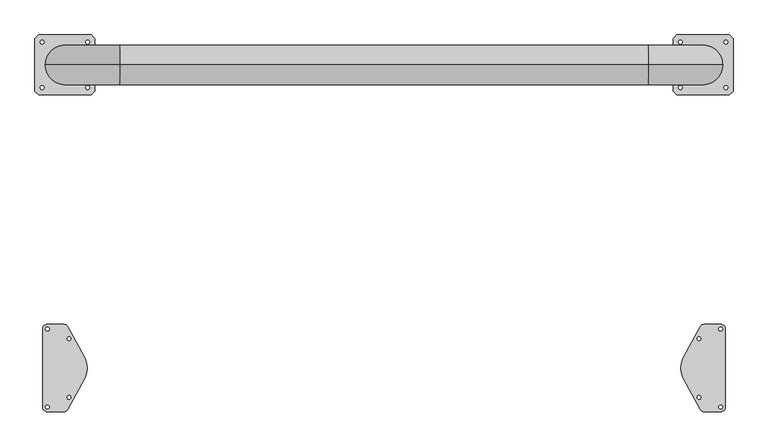
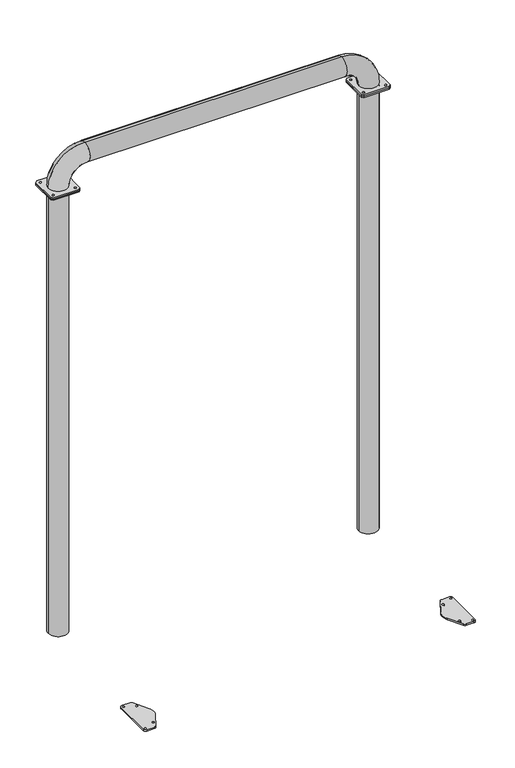
"""IFC4 building model written with IfcOpenShell, lengths in millimetres: proxy geometry."""

from ifc_helpers import new_model, si_unit, point, frame, frame_2d, origin, origin_with_axes, origin_2d, place, context, project, spatial, polyline, circle_curve, ellipse_curve, trimmed, segment, composite_curve, outline, extrude, source, transform, mapped, element, save
from ifc_brep_helpers import plane_surface, cylinder_surface, revolved_surface, advanced_brep


def generic_models_73299165(model_context):
    return source(origin(), model_context, "Body", "SolidModel", [
        extrude(outline(composite_curve([segment(trimmed(circle_curve(frame_2d((-72.8981591, -1102.6018409)), 20.1018409), [point((-93.0, -1102.6018409))], [point((-72.8981591, -1082.5))], False, "CARTESIAN"), True, "CONTINUOUS"), segment(polyline([(-72.8981591, -1082.5), (-5.0293412, -1082.5)]), True, "CONTINUOUS"), segment(trimmed(circle_curve(frame_2d((-5.0293412, -1102.5224978)), 20.0224978), [point((-5.0293412, -1082.5))], [point((12.5870042, -1093.0059443))], False, "CARTESIAN"), True, "CONTINUOUS"), segment(polyline([(12.5870042, -1093.0059443), (80.3506434, -1218.224343)]), True, "CONTINUOUS"), segment(trimmed(circle_curve(frame_2d((-0.0021126, -1265.0477839)), 93.0), [point((80.3506434, -1218.224343))], [point((80.3506434, -1311.8712248))], False, "CARTESIAN"), True, "CONTINUOUS"), segment(polyline([(80.3506434, -1311.8712248), (12.654282, -1437.0158468)]), True, "CONTINUOUS"), segment(trimmed(circle_curve(frame_2d((-4.9368709, -1427.5)), 20.0), [point((12.654282, -1437.0158468))], [point((-4.9368709, -1447.5))], False, "CARTESIAN"), True, "CONTINUOUS"), segment(polyline([(-4.9368709, -1447.5), (-73.0021126, -1447.5)]), True, "CONTINUOUS"), segment(trimmed(circle_curve(frame_2d((-73.0021126, -1427.5)), 20.0), [point((-73.0021126, -1447.5))], [point((-93.0, -1427.790685))], False, "CARTESIAN"), True, "CONTINUOUS"), segment(polyline([(-93.0, -1427.790685), (-93.0, -1102.6018409)]), True, "CONTINUOUS")], self_intersect=False), holes=[composite_curve([segment(trimmed(circle_curve(frame_2d((-73.0, -1102.5)), 8.0), [point((-81.0, -1102.5))], [point((-65.0, -1102.5))], True, "CARTESIAN"), True, "CONTINUOUS"), segment(trimmed(circle_curve(frame_2d((-73.0, -1102.5)), 8.0), [point((-65.0, -1102.5))], [point((-81.0, -1102.5))], True, "CARTESIAN"), True, "CONTINUOUS")], self_intersect=False), composite_curve([segment(trimmed(circle_curve(frame_2d((-73.0, -1427.5)), 8.0), [point((-81.0, -1427.5))], [point((-65.0, -1427.5))], True, "CARTESIAN"), True, "CONTINUOUS"), segment(trimmed(circle_curve(frame_2d((-73.0, -1427.5)), 8.0), [point((-65.0, -1427.5))], [point((-81.0, -1427.5))], True, "CARTESIAN"), True, "CONTINUOUS")], self_intersect=False), composite_curve([segment(trimmed(circle_curve(frame_2d((17.0, -1142.5)), 8.0), [point((9.0, -1142.5))], [point((25.0, -1142.5))], True, "CARTESIAN"), True, "CONTINUOUS"), segment(trimmed(circle_curve(frame_2d((17.0, -1142.5)), 8.0), [point((25.0, -1142.5))], [point((9.0, -1142.5))], True, "CARTESIAN"), True, "CONTINUOUS")], self_intersect=False), composite_curve([segment(trimmed(circle_curve(frame_2d((17.0, -1387.5)), 8.0), [point((9.0, -1387.5))], [point((25.0, -1387.5))], True, "CARTESIAN"), True, "CONTINUOUS"), segment(trimmed(circle_curve(frame_2d((17.0, -1387.5)), 8.0), [point((25.0, -1387.5))], [point((9.0, -1387.5))], True, "CARTESIAN"), True, "CONTINUOUS")], self_intersect=False)]), origin_with_axes(), (0.0, 0.0, 1.0), 12.0),
        extrude(outline(composite_curve([segment(trimmed(circle_curve(frame_2d((2665.0021126, -1265.0477839)), 93.0), [point((2584.6493566, -1311.8712248))], [point((2584.6493566, -1218.224343))], False, "CARTESIAN"), True, "CONTINUOUS"), segment(polyline([(2584.6493566, -1218.224343), (2652.4129958, -1093.0059443)]), True, "CONTINUOUS"), segment(trimmed(circle_curve(frame_2d((2670.0293412, -1102.5224978)), 20.0224978), [point((2652.4129958, -1093.0059443))], [point((2670.0293412, -1082.5))], False, "CARTESIAN"), True, "CONTINUOUS"), segment(polyline([(2670.0293412, -1082.5), (2738.0, -1082.5)]), True, "CONTINUOUS"), segment(trimmed(circle_curve(frame_2d((2738.0, -1102.5)), 20.0), [point((2738.0, -1082.5))], [point((2758.0, -1102.5))], False, "CARTESIAN"), True, "CONTINUOUS"), segment(polyline([(2758.0, -1102.5), (2758.0, -1427.5)]), True, "CONTINUOUS"), segment(trimmed(circle_curve(frame_2d((2738.0, -1427.5)), 20.0), [point((2758.0, -1427.5))], [point((2738.0, -1447.5))], False, "CARTESIAN"), True, "CONTINUOUS"), segment(polyline([(2738.0, -1447.5), (2669.9368709, -1447.5)]), True, "CONTINUOUS"), segment(trimmed(circle_curve(frame_2d((2669.9368709, -1427.5)), 20.0), [point((2669.9368709, -1447.5))], [point((2652.345718, -1437.0158468))], False, "CARTESIAN"), True, "CONTINUOUS"), segment(polyline([(2652.345718, -1437.0158468), (2584.6493566, -1311.8712248)]), True, "CONTINUOUS")], self_intersect=False), holes=[composite_curve([segment(trimmed(circle_curve(frame_2d((2648.0, -1142.5)), 8.0), [point((2640.0, -1142.5))], [point((2656.0, -1142.5))], True, "CARTESIAN"), True, "CONTINUOUS"), segment(trimmed(circle_curve(frame_2d((2648.0, -1142.5)), 8.0), [point((2656.0, -1142.5))], [point((2640.0, -1142.5))], True, "CARTESIAN"), True, "CONTINUOUS")], self_intersect=False), composite_curve([segment(trimmed(circle_curve(frame_2d((2648.0, -1387.5)), 8.0), [point((2640.0, -1387.5))], [point((2656.0, -1387.5))], True, "CARTESIAN"), True, "CONTINUOUS"), segment(trimmed(circle_curve(frame_2d((2648.0, -1387.5)), 8.0), [point((2656.0, -1387.5))], [point((2640.0, -1387.5))], True, "CARTESIAN"), True, "CONTINUOUS")], self_intersect=False), composite_curve([segment(trimmed(circle_curve(frame_2d((2738.0, -1427.5)), 8.0), [point((2730.0, -1427.5))], [point((2746.0, -1427.5))], True, "CARTESIAN"), True, "CONTINUOUS"), segment(trimmed(circle_curve(frame_2d((2738.0, -1427.5)), 8.0), [point((2746.0, -1427.5))], [point((2730.0, -1427.5))], True, "CARTESIAN"), True, "CONTINUOUS")], self_intersect=False), composite_curve([segment(trimmed(circle_curve(frame_2d((2738.0, -1102.5)), 8.0), [point((2730.0, -1102.5))], [point((2746.0, -1102.5))], True, "CARTESIAN"), True, "CONTINUOUS"), segment(trimmed(circle_curve(frame_2d((2738.0, -1102.5)), 8.0), [point((2746.0, -1102.5))], [point((2730.0, -1102.5))], True, "CARTESIAN"), True, "CONTINUOUS")], self_intersect=False)]), origin_with_axes(), (0.0, 0.0, 1.0), 12.0),
        advanced_brep(
        [(82.5, 0.0, 4053.5), (-82.5, 0.0, 4053.5), (78.5, 0.0, 4053.5), (-78.5, 0.0, 4053.5), (229.0, 0.0, 4365.0), (229.0, 0.0, 4200.0), (229.0, 0.0, 4361.0), (229.0, 0.0, 4204.0), (2436.0, 0.0, 4200.0), (2436.0, 0.0, 4365.0), (2436.0, 0.0, 4204.0), (2436.0, 0.0, 4361.0), (2582.5, 0.0, 4053.5), (2747.5, 0.0, 4053.5), (2586.5, 0.0, 4053.5), (2743.5, 0.0, 4053.5)],
        [
            (0, 1, circle_curve(frame((0.0, 0.0, 4053.5), z_axis=(0.0, 0.0, -1.0), x_axis=(-1.0, 0.0, 0.0)), 82.5)),
            (1, 0, circle_curve(frame((0.0, 0.0, 4053.5), z_axis=(0.0, 0.0, -1.0), x_axis=(-1.0, 0.0, 0.0)), 82.5)),
            (2, 3, circle_curve(frame((0.0, 0.0, 4053.5), z_axis=(0.0, 0.0, 1.0), x_axis=(-1.0, 0.0, 0.0)), 78.5)),
            (3, 2, circle_curve(frame((0.0, 0.0, 4053.5), z_axis=(0.0, 0.0, 1.0), x_axis=(-1.0, 0.0, 0.0)), 78.5)),
            (4, 1, circle_curve(frame((229.0, 0.0, 4053.5), z_axis=(0.0, -1.0, 0.0), x_axis=(-1.0, 0.0, 0.0)), 311.5)),
            (0, 5, circle_curve(frame((229.0, 0.0, 4053.5), z_axis=(0.0, 1.0, 0.0), x_axis=(-1.0, 0.0, 0.0)), 146.5)),
            (5, 4, circle_curve(frame((229.0, 0.0, 4282.5), z_axis=(-1.0, 0.0, 0.0), x_axis=(0.0, 0.0, 1.0)), 82.5)),
            (4, 5, circle_curve(frame((229.0, 0.0, 4282.5), z_axis=(-1.0, 0.0, 0.0), x_axis=(0.0, 0.0, 1.0)), 82.5)),
            (6, 3, circle_curve(frame((229.0, 0.0, 4053.5), z_axis=(0.0, -1.0, 0.0), x_axis=(-1.0, 0.0, 0.0)), 307.5)),
            (2, 7, circle_curve(frame((229.0, 0.0, 4053.5), z_axis=(0.0, 1.0, 0.0), x_axis=(-1.0, 0.0, 0.0)), 150.5)),
            (7, 6, circle_curve(frame((229.0, 0.0, 4282.5), z_axis=(1.0, 0.0, 0.0), x_axis=(0.0, 0.0, 1.0)), 78.5)),
            (6, 7, circle_curve(frame((229.0, 0.0, 4282.5), z_axis=(1.0, 0.0, 0.0), x_axis=(0.0, 0.0, 1.0)), 78.5)),
            (5, 8),
            (8, 9, circle_curve(frame((2436.0, 0.0, 4282.5), z_axis=(-1.0, 0.0, 0.0), x_axis=(0.0, 0.0, 1.0)), 82.5)),
            (9, 4),
            (9, 8, circle_curve(frame((2436.0, 0.0, 4282.5), z_axis=(-1.0, 0.0, 0.0), x_axis=(0.0, 0.0, 1.0)), 82.5)),
            (7, 10),
            (10, 11, circle_curve(frame((2436.0, 0.0, 4282.5), z_axis=(1.0, 0.0, 0.0), x_axis=(0.0, 0.0, 1.0)), 78.5)),
            (11, 6),
            (11, 10, circle_curve(frame((2436.0, 0.0, 4282.5), z_axis=(1.0, 0.0, 0.0), x_axis=(0.0, 0.0, 1.0)), 78.5)),
            (12, 13, circle_curve(frame((2665.0, 0.0, 4053.5), z_axis=(0.0, 0.0, -1.0), x_axis=(1.0, 0.0, 0.0)), 82.5)),
            (13, 12, circle_curve(frame((2665.0, 0.0, 4053.5), z_axis=(0.0, 0.0, -1.0), x_axis=(1.0, 0.0, 0.0)), 82.5)),
            (14, 15, circle_curve(frame((2665.0, 0.0, 4053.5), z_axis=(0.0, 0.0, 1.0), x_axis=(1.0, 0.0, 0.0)), 78.5)),
            (15, 14, circle_curve(frame((2665.0, 0.0, 4053.5), z_axis=(0.0, 0.0, 1.0), x_axis=(1.0, 0.0, 0.0)), 78.5)),
            (13, 9, circle_curve(frame((2436.0, 0.0, 4053.5), z_axis=(0.0, -1.0, 0.0), x_axis=(0.0, 0.0, 1.0)), 311.5)),
            (8, 12, circle_curve(frame((2436.0, 0.0, 4053.5), z_axis=(0.0, 1.0, 0.0), x_axis=(0.0, 0.0, 1.0)), 146.5)),
            (15, 11, circle_curve(frame((2436.0, 0.0, 4053.5), z_axis=(0.0, -1.0, 0.0), x_axis=(0.0, 0.0, 1.0)), 307.5)),
            (10, 14, circle_curve(frame((2436.0, 0.0, 4053.5), z_axis=(0.0, 1.0, 0.0), x_axis=(0.0, 0.0, 1.0)), 150.5)),
        ],
        [
            plane_surface(frame((0.0, 0.0, 4053.5), z_axis=(0.0, 0.0, -1.0), x_axis=(0.0, -1.0, 0.0))),
            revolved_surface(trimmed(ellipse_curve(frame((0.0, 0.0, 4053.5), z_axis=(0.0, 0.0, -1.0), x_axis=(-1.0, 0.0, 0.0)), 82.5, 82.5), [point((82.5, 0.0, 4053.5))], [point((-82.5, 0.0, 4053.5))], True, "CARTESIAN"), (229.0, 0.0, 4053.5), (0.0, 1.0, 0.0)),
            revolved_surface(trimmed(ellipse_curve(frame((0.0, 0.0, 4053.5), z_axis=(0.0, 0.0, -1.0), x_axis=(-1.0, 0.0, 0.0)), 82.5, 82.5), [point((-82.5, 0.0, 4053.5))], [point((82.5, 0.0, 4053.5))], True, "CARTESIAN"), (229.0, 0.0, 4053.5), (0.0, 1.0, 0.0)),
            revolved_surface(trimmed(ellipse_curve(frame((0.0, 0.0, 4053.5), z_axis=(0.0, 0.0, 1.0), x_axis=(-1.0, 0.0, 0.0)), 78.5, 78.5), [point((78.5, 0.0, 4053.5))], [point((-78.5, 0.0, 4053.5))], True, "CARTESIAN"), (229.0, 0.0, 4053.5), (0.0, 1.0, 0.0)),
            revolved_surface(trimmed(ellipse_curve(frame((0.0, 0.0, 4053.5), z_axis=(0.0, 0.0, 1.0), x_axis=(-1.0, 0.0, 0.0)), 78.5, 78.5), [point((-78.5, 0.0, 4053.5))], [point((78.5, 0.0, 4053.5))], True, "CARTESIAN"), (229.0, 0.0, 4053.5), (0.0, 1.0, 0.0)),
            cylinder_surface(frame((229.0, 0.0, 4282.5), z_axis=(-1.0, 0.0, 0.0), x_axis=(0.0, 0.0, 1.0)), 82.5),
            revolved_surface(polyline([(2436.0, 0.0, 4361.0), (229.0, 0.0, 4361.0)]), (229.0, 0.0, 4282.5), (1.0, 0.0, 0.0)),
            plane_surface(frame((2665.0, 0.0, 4053.5), z_axis=(0.0, 0.0, -1.0), x_axis=(0.0, -1.0, 0.0))),
            revolved_surface(trimmed(ellipse_curve(frame((2436.0, 0.0, 4282.5), z_axis=(-1.0, 0.0, 0.0), x_axis=(0.0, 0.0, 1.0)), 82.5, 82.5), [point((2436.0, 0.0, 4200.0))], [point((2436.0, 0.0, 4365.0))], True, "CARTESIAN"), (2436.0, 0.0, 4053.5), (0.0, 1.0, 0.0)),
            revolved_surface(trimmed(ellipse_curve(frame((2436.0, 0.0, 4282.5), z_axis=(-1.0, 0.0, 0.0), x_axis=(0.0, 0.0, 1.0)), 82.5, 82.5), [point((2436.0, 0.0, 4365.0))], [point((2436.0, 0.0, 4200.0))], True, "CARTESIAN"), (2436.0, 0.0, 4053.5), (0.0, 1.0, 0.0)),
            revolved_surface(trimmed(ellipse_curve(frame((2436.0, 0.0, 4282.5), z_axis=(1.0, 0.0, 0.0), x_axis=(0.0, 0.0, 1.0)), 78.5, 78.5), [point((2436.0, 0.0, 4204.0))], [point((2436.0, 0.0, 4361.0))], True, "CARTESIAN"), (2436.0, 0.0, 4053.5), (0.0, 1.0, 0.0)),
            revolved_surface(trimmed(ellipse_curve(frame((2436.0, 0.0, 4282.5), z_axis=(1.0, 0.0, 0.0), x_axis=(0.0, 0.0, 1.0)), 78.5, 78.5), [point((2436.0, 0.0, 4361.0))], [point((2436.0, 0.0, 4204.0))], True, "CARTESIAN"), (2436.0, 0.0, 4053.5), (0.0, 1.0, 0.0)),
        ],
        [
            (0, [[1, 2], [3, 4]]),
            (1, [[5, -1, 6, 7]]),
            (2, [[-6, -2, -5, 8]]),
            (3, [[9, -3, 10, 11]]),
            (4, [[-10, -4, -9, 12]]),
            (5, [[-7, 13, 14, 15]]),
            (5, [[-8, -15, 16, -13]]),
            (6, [[-11, 17, 18, 19]]),
            (6, [[-12, -19, 20, -17]]),
            (7, [[21, 22], [23, 24]]),
            (8, [[25, -14, 26, -22]]),
            (9, [[-26, -16, -25, -21]]),
            (10, [[27, -18, 28, -24]]),
            (11, [[-28, -20, -27, -23]]),
        ],
    ),
        extrude(outline(polyline([(110.0, 125.0), (125.0, 110.0), (125.0, -110.0), (110.0, -125.0), (-110.0, -125.0), (-125.0, -110.0), (-125.0, 110.0), (-110.0, 125.0), (110.0, 125.0)]), holes=[composite_curve([segment(trimmed(circle_curve(frame_2d((-95.0, 95.0)), 8.0), [point((-103.0, 95.0))], [point((-87.0, 95.0))], True, "CARTESIAN"), True, "CONTINUOUS"), segment(trimmed(circle_curve(frame_2d((-95.0, 95.0)), 8.0), [point((-87.0, 95.0))], [point((-103.0, 95.0))], True, "CARTESIAN"), True, "CONTINUOUS")], self_intersect=False), composite_curve([segment(trimmed(circle_curve(frame_2d((95.0, 95.0)), 8.0), [point((87.0, 95.0))], [point((103.0, 95.0))], True, "CARTESIAN"), True, "CONTINUOUS"), segment(trimmed(circle_curve(frame_2d((95.0, 95.0)), 8.0), [point((103.0, 95.0))], [point((87.0, 95.0))], True, "CARTESIAN"), True, "CONTINUOUS")], self_intersect=False), composite_curve([segment(trimmed(circle_curve(frame_2d((95.0, -95.0)), 8.0), [point((87.0, -95.0))], [point((103.0, -95.0))], True, "CARTESIAN"), True, "CONTINUOUS"), segment(trimmed(circle_curve(frame_2d((95.0, -95.0)), 8.0), [point((103.0, -95.0))], [point((87.0, -95.0))], True, "CARTESIAN"), True, "CONTINUOUS")], self_intersect=False), composite_curve([segment(trimmed(circle_curve(frame_2d((-95.0, -95.0)), 8.0), [point((-103.0, -95.0))], [point((-87.0, -95.0))], True, "CARTESIAN"), True, "CONTINUOUS"), segment(trimmed(circle_curve(frame_2d((-95.0, -95.0)), 8.0), [point((-87.0, -95.0))], [point((-103.0, -95.0))], True, "CARTESIAN"), True, "CONTINUOUS")], self_intersect=False)]), frame((0.0, 0.0, 4042.0), z_axis=(0.0, 0.0, 1.0), x_axis=(1.0, 0.0, 0.0)), (0.0, 0.0, 1.0), 12.0),
        extrude(outline(polyline([(2540.0, -110.0), (2540.0, 110.0), (2555.0, 125.0), (2775.0, 125.0), (2790.0, 110.0), (2790.0, -110.0), (2775.0, -125.0), (2555.0, -125.0), (2540.0, -110.0)]), holes=[composite_curve([segment(trimmed(circle_curve(frame_2d((2570.0, 95.0)), 8.0), [point((2578.0, 95.0))], [point((2562.0, 95.0))], True, "CARTESIAN"), True, "CONTINUOUS"), segment(trimmed(circle_curve(frame_2d((2570.0, 95.0)), 8.0), [point((2562.0, 95.0))], [point((2578.0, 95.0))], True, "CARTESIAN"), True, "CONTINUOUS")], self_intersect=False), composite_curve([segment(trimmed(circle_curve(frame_2d((2760.0, 95.0)), 8.0), [point((2752.0, 95.0))], [point((2768.0, 95.0))], True, "CARTESIAN"), True, "CONTINUOUS"), segment(trimmed(circle_curve(frame_2d((2760.0, 95.0)), 8.0), [point((2768.0, 95.0))], [point((2752.0, 95.0))], True, "CARTESIAN"), True, "CONTINUOUS")], self_intersect=False), composite_curve([segment(trimmed(circle_curve(frame_2d((2570.0, -95.0)), 8.0), [point((2562.0, -95.0))], [point((2578.0, -95.0))], True, "CARTESIAN"), True, "CONTINUOUS"), segment(trimmed(circle_curve(frame_2d((2570.0, -95.0)), 8.0), [point((2578.0, -95.0))], [point((2562.0, -95.0))], True, "CARTESIAN"), True, "CONTINUOUS")], self_intersect=False), composite_curve([segment(trimmed(circle_curve(frame_2d((2760.0, -95.0)), 8.0), [point((2752.0, -95.0))], [point((2768.0, -95.0))], True, "CARTESIAN"), True, "CONTINUOUS"), segment(trimmed(circle_curve(frame_2d((2760.0, -95.0)), 8.0), [point((2768.0, -95.0))], [point((2752.0, -95.0))], True, "CARTESIAN"), True, "CONTINUOUS")], self_intersect=False)]), frame((0.0, 0.0, 4042.0), z_axis=(0.0, 0.0, 1.0), x_axis=(1.0, 0.0, 0.0)), (0.0, 0.0, 1.0), 12.0),
        extrude(outline(polyline([(125.0, -110.0), (110.0, -125.0), (-110.0, -125.0), (-125.0, -110.0), (-125.0, 110.0), (-110.0, 125.0), (110.0, 125.0), (125.0, 110.0), (125.0, -110.0)]), holes=[composite_curve([segment(trimmed(circle_curve(frame_2d((-95.0, 95.0)), 8.0), [point((-103.0, 95.0))], [point((-87.0, 95.0))], True, "CARTESIAN"), True, "CONTINUOUS"), segment(trimmed(circle_curve(frame_2d((-95.0, 95.0)), 8.0), [point((-87.0, 95.0))], [point((-103.0, 95.0))], True, "CARTESIAN"), True, "CONTINUOUS")], self_intersect=False), composite_curve([segment(trimmed(circle_curve(frame_2d((95.0, 95.0)), 8.0), [point((87.0, 95.0))], [point((103.0, 95.0))], True, "CARTESIAN"), True, "CONTINUOUS"), segment(trimmed(circle_curve(frame_2d((95.0, 95.0)), 8.0), [point((103.0, 95.0))], [point((87.0, 95.0))], True, "CARTESIAN"), True, "CONTINUOUS")], self_intersect=False), composite_curve([segment(trimmed(circle_curve(frame_2d((-95.0, -95.0)), 8.0), [point((-103.0, -95.0))], [point((-87.0, -95.0))], True, "CARTESIAN"), True, "CONTINUOUS"), segment(trimmed(circle_curve(frame_2d((-95.0, -95.0)), 8.0), [point((-87.0, -95.0))], [point((-103.0, -95.0))], True, "CARTESIAN"), True, "CONTINUOUS")], self_intersect=False), composite_curve([segment(trimmed(circle_curve(frame_2d((95.0, -95.0)), 8.0), [point((87.0, -95.0))], [point((103.0, -95.0))], True, "CARTESIAN"), True, "CONTINUOUS"), segment(trimmed(circle_curve(frame_2d((95.0, -95.0)), 8.0), [point((103.0, -95.0))], [point((87.0, -95.0))], True, "CARTESIAN"), True, "CONTINUOUS")], self_intersect=False)]), frame((0.0, 0.0, 4030.0), z_axis=(0.0, 0.0, 1.0), x_axis=(1.0, 0.0, 0.0)), (0.0, 0.0, 1.0), 12.0),
        extrude(outline(polyline([(2540.0, -110.0), (2540.0, 110.0), (2555.0, 125.0), (2775.0, 125.0), (2790.0, 110.0), (2790.0, -110.0), (2775.0, -125.0), (2555.0, -125.0), (2540.0, -110.0)]), holes=[composite_curve([segment(trimmed(circle_curve(frame_2d((2570.0, 95.0)), 10.5), [point((2559.5, 95.0))], [point((2580.5, 95.0))], True, "CARTESIAN"), True, "CONTINUOUS"), segment(trimmed(circle_curve(frame_2d((2570.0, 95.0)), 10.5), [point((2580.5, 95.0))], [point((2559.5, 95.0))], True, "CARTESIAN"), True, "CONTINUOUS")], self_intersect=False), composite_curve([segment(trimmed(circle_curve(frame_2d((2760.0, 95.0)), 8.0), [point((2752.0, 95.0))], [point((2768.0, 95.0))], True, "CARTESIAN"), True, "CONTINUOUS"), segment(trimmed(circle_curve(frame_2d((2760.0, 95.0)), 8.0), [point((2768.0, 95.0))], [point((2752.0, 95.0))], True, "CARTESIAN"), True, "CONTINUOUS")], self_intersect=False), composite_curve([segment(trimmed(circle_curve(frame_2d((2570.0, -95.0)), 10.5), [point((2559.5, -95.0))], [point((2580.5, -95.0))], True, "CARTESIAN"), True, "CONTINUOUS"), segment(trimmed(circle_curve(frame_2d((2570.0, -95.0)), 10.5), [point((2580.5, -95.0))], [point((2559.5, -95.0))], True, "CARTESIAN"), True, "CONTINUOUS")], self_intersect=False), composite_curve([segment(trimmed(circle_curve(frame_2d((2760.0, -95.0)), 8.0), [point((2752.0, -95.0))], [point((2768.0, -95.0))], True, "CARTESIAN"), True, "CONTINUOUS"), segment(trimmed(circle_curve(frame_2d((2760.0, -95.0)), 8.0), [point((2768.0, -95.0))], [point((2752.0, -95.0))], True, "CARTESIAN"), True, "CONTINUOUS")], self_intersect=False)]), frame((0.0, 0.0, 4030.0), z_axis=(0.0, 0.0, 1.0), x_axis=(1.0, 0.0, 0.0)), (0.0, 0.0, 1.0), 12.0),
        extrude(outline(composite_curve([segment(trimmed(circle_curve(origin_2d(), 82.5), [point((82.5, 0.0))], [point((-82.5, 0.0))], False, "CARTESIAN"), True, "CONTINUOUS"), segment(trimmed(circle_curve(origin_2d(), 82.5), [point((-82.5, 0.0))], [point((82.5, 0.0))], False, "CARTESIAN"), True, "CONTINUOUS")], self_intersect=False), holes=[composite_curve([segment(trimmed(circle_curve(origin_2d(), 81.0), [point((81.0, 0.0))], [point((-81.0, 0.0))], True, "CARTESIAN"), True, "CONTINUOUS"), segment(trimmed(circle_curve(origin_2d(), 81.0), [point((-81.0, 0.0))], [point((81.0, 0.0))], True, "CARTESIAN"), True, "CONTINUOUS")], self_intersect=False)]), frame((0.0, 0.0, 12.0), z_axis=(0.0, 0.0, 1.0), x_axis=(1.0, 0.0, 0.0)), (0.0, 0.0, 1.0), 4018.0),
        extrude(outline(composite_curve([segment(trimmed(circle_curve(frame_2d((2665.0, 0.0)), 82.5), [point((2747.5, 0.0))], [point((2582.5, 0.0))], False, "CARTESIAN"), True, "CONTINUOUS"), segment(trimmed(circle_curve(frame_2d((2665.0, 0.0)), 82.5), [point((2582.5, 0.0))], [point((2747.5, 0.0))], False, "CARTESIAN"), True, "CONTINUOUS")], self_intersect=False), holes=[composite_curve([segment(trimmed(circle_curve(frame_2d((2665.0, 0.0)), 81.0), [point((2746.0, 0.0))], [point((2584.0, 0.0))], True, "CARTESIAN"), True, "CONTINUOUS"), segment(trimmed(circle_curve(frame_2d((2665.0, 0.0)), 81.0), [point((2584.0, 0.0))], [point((2746.0, 0.0))], True, "CARTESIAN"), True, "CONTINUOUS")], self_intersect=False)]), frame((0.0, 0.0, 12.0), z_axis=(0.0, 0.0, 1.0), x_axis=(1.0, 0.0, 0.0)), (0.0, 0.0, 1.0), 4018.0),
    ])


if __name__ == "__main__":
    model = new_model("IFC4")
    model_context = context("Model", 3, world=origin())
    ifc_project = project(units=[si_unit("LENGTHUNIT", "METRE", prefix="MILLI")], contexts=[model_context])
    site = spatial("IfcSite", under=ifc_project)
    building = spatial("IfcBuilding", under=site)
    placement = place(None, origin())
    generic_models_shape = generic_models_73299165(model_context)
    element("IfcBuildingElementProxy", 1, Name="Generic Models", at=placement, inside=building, context=model_context, shape_type="MappedRepresentation", body=[
        mapped(generic_models_shape, transform((0.0, 0.0, 0.0), x_axis=(1.0, 0.0, 0.0), y_axis=(0.0, 1.0, 0.0), z_axis=(0.0, 0.0, 1.0))),
    ])
    save(model, "model.ifc")
